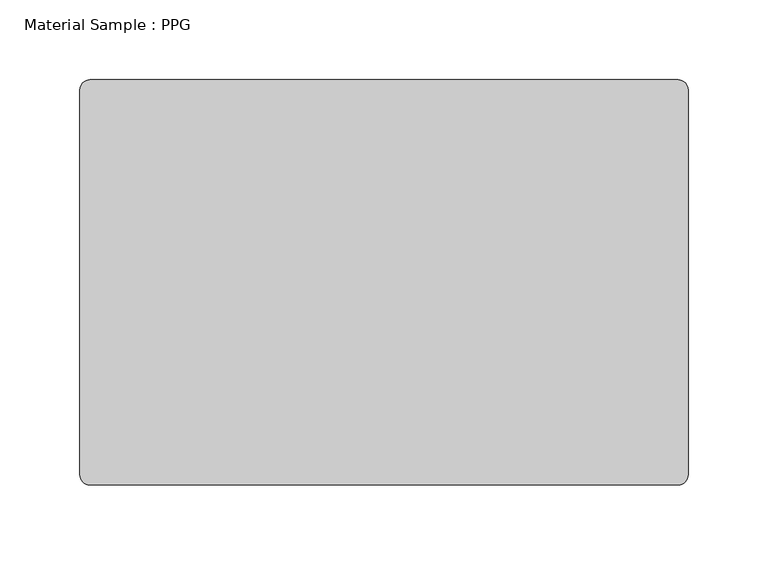
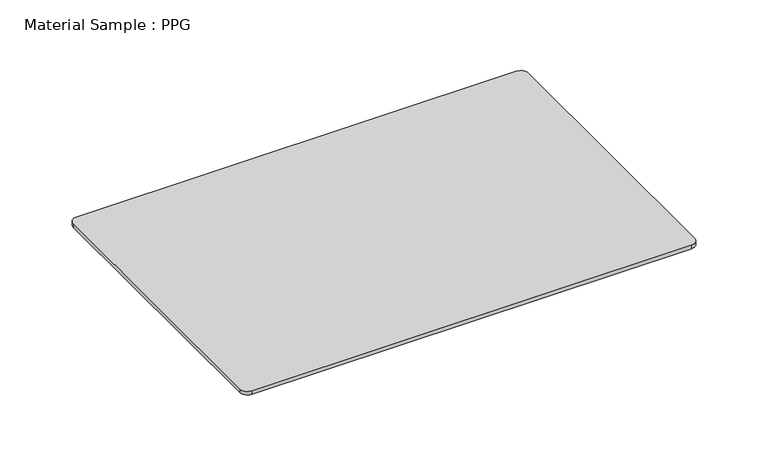
"""IFC4 building model written with IfcOpenShell, lengths in millimetres: furniture geometry, Material Sample : PPG."""

from ifc_helpers import new_model, si_unit, point, frame, frame_2d, origin, place, context, project, spatial, polyline, circle_curve, trimmed, segment, composite_curve, outline, extrude, source, transform, mapped, element, save


def material_sample_ppg_96bf408c(model_context):
    return source(origin(), model_context, "Body", "SweptSolid", [
        extrude(outline(composite_curve([segment(trimmed(circle_curve(frame_2d((21215.2392185, 10811.8982463)), 6.35), [point((21215.2392185, 10818.2482463))], [point((21221.5892185, 10811.8982463))], False, "CARTESIAN"), True, "CONTINUOUS"), segment(polyline([(21221.5892185, 10811.8982463), (21221.5892185, 10570.5982463)]), True, "CONTINUOUS"), segment(trimmed(circle_curve(frame_2d((21215.2392185, 10570.5982463)), 6.35), [point((21221.5892185, 10570.5982463))], [point((21215.2392185, 10564.2482463))], False, "CARTESIAN"), True, "CONTINUOUS"), segment(polyline([(21215.2392185, 10564.2482463), (20846.9392185, 10564.2482463)]), True, "CONTINUOUS"), segment(trimmed(circle_curve(frame_2d((20846.9392185, 10570.5982463)), 6.35), [point((20846.9392185, 10564.2482463))], [point((20840.5892185, 10570.5982463))], False, "CARTESIAN"), True, "CONTINUOUS"), segment(polyline([(20840.5892185, 10570.5982463), (20840.5892185, 10811.8982463)]), True, "CONTINUOUS"), segment(trimmed(circle_curve(frame_2d((20846.9392185, 10811.8982463)), 6.35), [point((20840.5892185, 10811.8982463))], [point((20846.9392185, 10818.2482463))], False, "CARTESIAN"), True, "CONTINUOUS"), segment(polyline([(20846.9392185, 10818.2482463), (21215.2392185, 10818.2482463)]), True, "CONTINUOUS")], self_intersect=False)), frame((0.0, 0.0, -3.175), z_axis=(0.0, 0.0, 1.0), x_axis=(1.0, 0.0, 0.0)), (0.0, 0.0, 1.0), 3.175),
    ])


if __name__ == "__main__":
    model = new_model("IFC4")
    model_context = context("Model", 3, world=origin())
    ifc_project = project(units=[si_unit("LENGTHUNIT", "METRE", prefix="MILLI")], contexts=[model_context])
    site = spatial("IfcSite", under=ifc_project)
    building = spatial("IfcBuilding", under=site)
    placement = place(None, origin())
    material_sample_ppg_shape = material_sample_ppg_96bf408c(model_context)
    element("IfcFurniture", 1, ObjectType="Material Sample : PPG", at=placement, inside=building, context=model_context, shape_type="MappedRepresentation", body=[
        mapped(material_sample_ppg_shape, transform((0.0, 0.0, 0.0), x_axis=(1.0, 0.0, 0.0), y_axis=(0.0, 1.0, 0.0), z_axis=(0.0, 0.0, 1.0))),
    ])
    save(model, "model.ifc")
